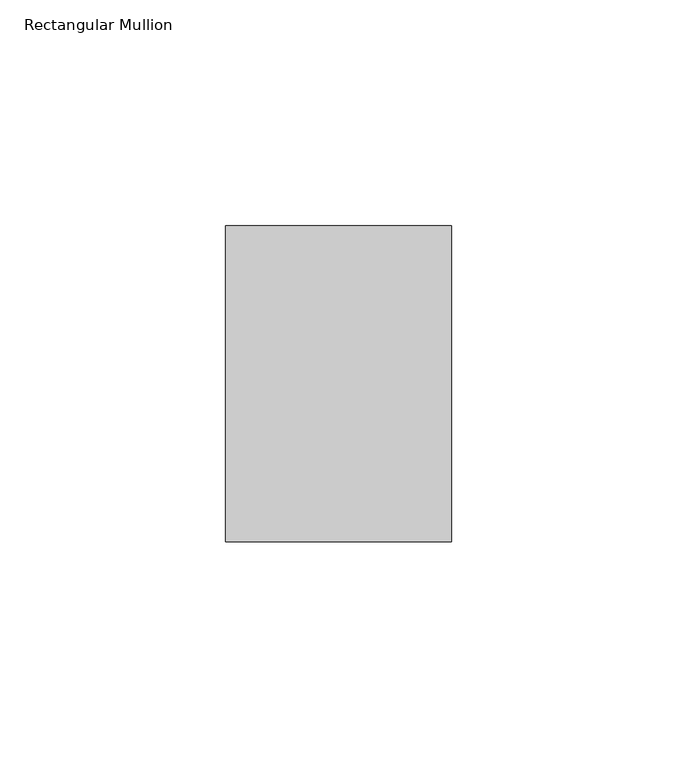
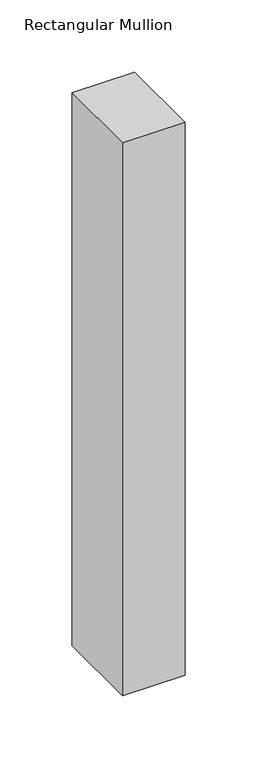
"""IFC4 building model written with IfcOpenShell, lengths in millimetres: member geometry, Rectangular Mullion."""

from ifc_helpers import new_model, si_unit, frame, origin, place, context, project, spatial, polyline, outline, extrude, source, transform, mapped, element, save


def rectangular_mullion_4c180474(model_context):
    return source(origin(), model_context, "Body", "SweptSolid", [
        extrude(outline(polyline([(0.0, 35.0), (0.0, -35.0), (-50.0, -35.0), (-50.0, 35.0), (0.0, 35.0)])), frame((0.0, 0.0, -468.0080059), z_axis=(0.0, 0.0, 1.0), x_axis=(1.0, 0.0, 0.0)), (0.0, 0.0, 1.0), 468.0080059),
    ])


if __name__ == "__main__":
    model = new_model("IFC4")
    model_context = context("Model", 3, world=origin())
    ifc_project = project(units=[si_unit("LENGTHUNIT", "METRE", prefix="MILLI")], contexts=[model_context])
    site = spatial("IfcSite", under=ifc_project)
    building = spatial("IfcBuilding", under=site)
    placement = place(None, origin())
    rectangular_mullion_shape = rectangular_mullion_4c180474(model_context)
    element("IfcMember", 1, ObjectType="Rectangular Mullion", at=placement, inside=building, context=model_context, shape_type="MappedRepresentation", body=[
        mapped(rectangular_mullion_shape, transform((0.0, 0.0, 0.0), x_axis=(1.0, 0.0, 0.0), y_axis=(0.0, 1.0, 0.0), z_axis=(0.0, 0.0, 1.0))),
    ])
    save(model, "model.ifc")
